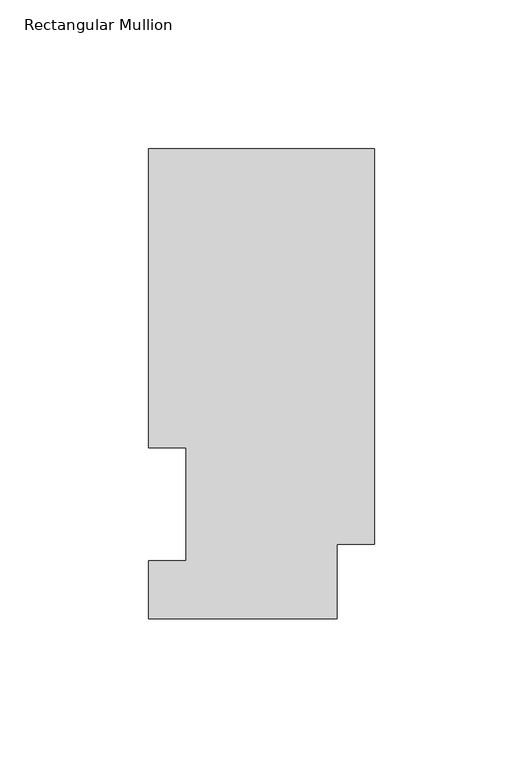
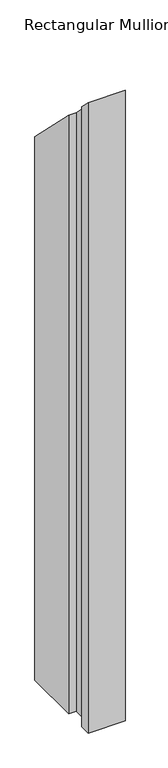
"""IFC4 building model written with IfcOpenShell, lengths in millimetres: member geometry, Rectangular Mullion."""

from ifc_helpers import new_model, si_unit, origin, place, context, project, spatial, faceted_brep, source, transform, mapped, element, save


def rectangular_mullion_03f18d0d(model_context):
    return source(origin(), model_context, "Body", "Brep", [
        faceted_brep([(-76.2, 158.3316937, -1143.0134937), (0.0, 158.3316937, -1143.0134937), (0.0, 25.0832937, -1143.0134937), (-12.7, 25.0832937, -1143.0134937), (-12.7, 0.0134937, -1143.0134937), (-76.2, 0.0134937, -1143.0134937), (-76.2, 19.5460937, -1143.0134937), (-63.5, 19.5460937, -1143.0134937), (-63.5, 57.6460938, -1143.0134937), (-76.2, 57.6460938, -1143.0134937), (-76.2, 57.6460938, -57.6460938), (-76.2, 158.3316937, -158.3316937), (-63.5, 57.6460938, -57.6460938), (-63.5, 19.5460937, -19.5460937), (-76.2, 19.5460937, -19.5460937), (-76.2, 0.0134937, -0.0134937), (-12.7, 0.0134937, -0.0134937), (-12.7, 25.0832937, -25.0832937), (0.0, 25.0832937, -25.0832937), (0.0, 158.3316937, -158.3316937)], [[[0, 1, 2, 3, 4, 5, 6, 7, 8, 9]], [[10, 11, 0, 9]], [[12, 10, 9, 8]], [[13, 12, 8, 7]], [[14, 13, 7, 6]], [[15, 14, 6, 5]], [[16, 15, 5, 4]], [[17, 16, 4, 3]], [[18, 17, 3, 2]], [[19, 18, 2, 1]], [[11, 19, 1, 0]], [[11, 10, 12, 13, 14, 15, 16, 17, 18, 19]]]),
    ])


if __name__ == "__main__":
    model = new_model("IFC4")
    model_context = context("Model", 3, world=origin())
    ifc_project = project(units=[si_unit("LENGTHUNIT", "METRE", prefix="MILLI")], contexts=[model_context])
    site = spatial("IfcSite", under=ifc_project)
    building = spatial("IfcBuilding", under=site)
    placement = place(None, origin())
    rectangular_mullion_shape = rectangular_mullion_03f18d0d(model_context)
    element("IfcMember", 1, ObjectType="Rectangular Mullion", at=placement, inside=building, context=model_context, shape_type="MappedRepresentation", body=[
        mapped(rectangular_mullion_shape, transform((0.0, 0.0, 0.0), x_axis=(1.0, 0.0, 0.0), y_axis=(0.0, 1.0, 0.0), z_axis=(0.0, 0.0, 1.0))),
    ])
    save(model, "model.ifc")
